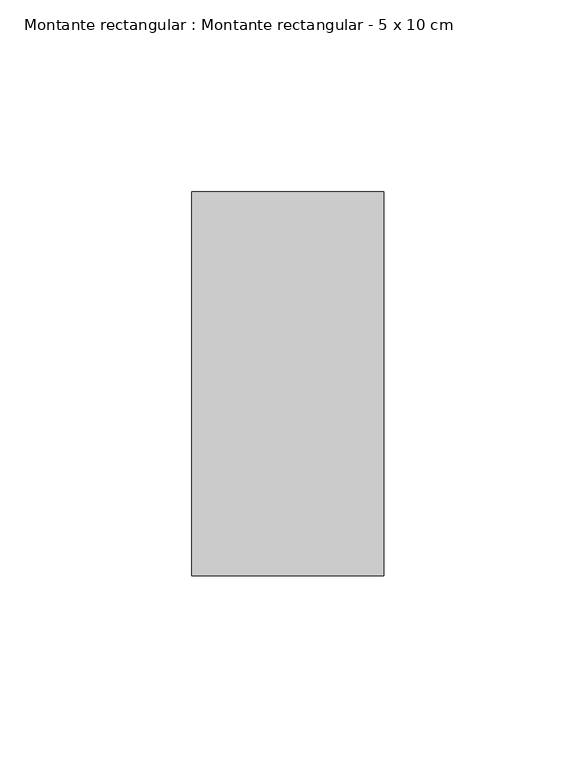
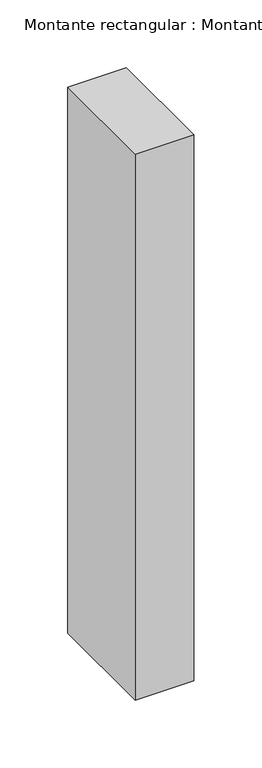
"""IFC4 building model written with IfcOpenShell, lengths in millimetres: member geometry, Montante rectangular : Montante rectangular - 5 x 10 cm."""

import ifcopenshell
import ifcopenshell.guid

model = None  # the IFC model being written
_history = None  # IfcOwnerHistory: only IFC2X3 demands one
_inside = {}  # id of a spatial element -> (the spatial element, [elements in it])
_under = {}  # id of a project, library or spatial element -> (it, [spatial elements below it])
_declared = {}  # id of a project -> (the project, [libraries it declares])
_typed = {}  # id of a type object -> (the type object, [elements of that type])
_made_of = {}  # id of a material, layer set ... -> (it, [elements and type objects made of it])


def new_model(schema):
    """Start an empty IFC model of exactly this schema.

    Asked for "IFC4X3", IfcOpenShell would pick the latest addendum, in which some entities
    have other attributes; the version numbers below select the first issue.
    IFC2X3 requires an IfcOwnerHistory on every rooted entity: one is made here for all.
    """
    global model, _history
    if schema == "IFC4X3":
        model = ifcopenshell.file(schema_version=(4, 3, 0, 0))
    else:
        model = ifcopenshell.file(schema=schema)
    _inside.clear()
    _under.clear()
    _declared.clear()
    _typed.clear()
    _made_of.clear()
    _history = None
    if model.schema == "IFC2X3":
        org = make("IfcOrganization", Name="unknown")
        user = make(
            "IfcPersonAndOrganization",
            ThePerson=make("IfcPerson", FamilyName="unknown"),
            TheOrganization=org,
        )
        app = make(
            "IfcApplication",
            ApplicationDeveloper=org,
            Version="unknown",
            ApplicationFullName="unknown",
            ApplicationIdentifier="unknown",
        )
        _history = make(
            "IfcOwnerHistory",
            OwningUser=user,
            OwningApplication=app,
            ChangeAction="ADDED",
            CreationDate=0,
        )
    return model


def make(cls, **values):
    """One entity of the class cls with the attributes given. An attribute that is None is left unset."""
    return model.create_entity(
        cls, **{name: value for name, value in values.items() if value is not None}
    )


def rooted(cls, **values):
    """An entity with a GlobalId (a new one), such as an element, a storey or a relation."""
    return make(cls, GlobalId=ifcopenshell.guid.new(), OwnerHistory=_history, **values)


def si_unit(unit_type, name, prefix=None):
    """IfcSIUnit, for example si_unit("LENGTHUNIT", "METRE", prefix="MILLI")."""
    return make("IfcSIUnit", UnitType=unit_type, Prefix=prefix, Name=name)


def assignment(units):
    """IfcUnitAssignment: the units of a project."""
    return None if units is None else make("IfcUnitAssignment", Units=units)


def point(xyz):
    """IfcCartesianPoint."""
    return None if xyz is None else make("IfcCartesianPoint", Coordinates=xyz)


def direction(xyz):
    """IfcDirection."""
    return None if xyz is None else make("IfcDirection", DirectionRatios=xyz)


def frame(location, z_axis=None, x_axis=None):
    """IfcAxis2Placement3D, a coordinate frame: its origin and axes. An axis left out is left unset."""
    return make(
        "IfcAxis2Placement3D",
        Location=point(location),
        Axis=direction(z_axis),
        RefDirection=direction(x_axis),
    )


def origin():
    """The frame at (0, 0, 0) with its axes left unset."""
    return frame((0.0, 0.0, 0.0))


def place(relative_to, where):
    """IfcLocalPlacement: puts the frame where relative to a parent placement (None: the world)."""
    return make(
        "IfcLocalPlacement", PlacementRelTo=relative_to, RelativePlacement=where
    )


def context(
    kind, dimensions, precision=None, world=None, true_north=None, identifier=None
):
    """IfcGeometricRepresentationContext, for example the 3D "Model" context."""
    return make(
        "IfcGeometricRepresentationContext",
        ContextIdentifier=identifier,
        ContextType=kind,
        CoordinateSpaceDimension=dimensions,
        Precision=precision,
        WorldCoordinateSystem=world,
        TrueNorth=true_north,
    )


def project(units=None, contexts=None):
    """IfcProject with its units and contexts."""
    return rooted(
        "IfcProject",
        Name="project",
        RepresentationContexts=contexts,
        UnitsInContext=assignment(units),
    )


def spatial(cls, under=None, at=None, **own):
    """A site, building, storey or space (cls), placed at a placement, below another one or the project."""
    s = rooted(cls, ObjectPlacement=at, **own)
    if under is not None:
        _under.setdefault(under.id(), (under, []))[1].append(s)
    return s


def polyline(points):
    """IfcPolyline through the points."""
    return make("IfcPolyline", Points=[point(p) for p in points])


def outline(outer, holes=None, kind="AREA"):
    """IfcArbitraryClosedProfileDef: a profile drawn as a closed curve; with holes, ...WithVoids."""
    if holes is None:
        return make("IfcArbitraryClosedProfileDef", ProfileType=kind, OuterCurve=outer)
    return make(
        "IfcArbitraryProfileDefWithVoids",
        ProfileType=kind,
        OuterCurve=outer,
        InnerCurves=holes,
    )


def extrude(swept, where, along, depth):
    """IfcExtrudedAreaSolid: the profile swept, set in the frame where, extruded along a direction by depth."""
    return make(
        "IfcExtrudedAreaSolid",
        SweptArea=swept,
        Position=where,
        ExtrudedDirection=direction(along),
        Depth=depth,
    )


def shape(context_of_items, identifier, shape_type, items):
    """IfcShapeRepresentation: the items that make up one representation, for example the "Body"."""
    return make(
        "IfcShapeRepresentation",
        ContextOfItems=context_of_items,
        RepresentationIdentifier=identifier,
        RepresentationType=shape_type,
        Items=items,
    )


def source(mapping_origin, context_of_items, identifier, shape_type, items):
    """IfcRepresentationMap: a shape defined once, which mapped items show again and again."""
    return make(
        "IfcRepresentationMap",
        MappingOrigin=mapping_origin,
        MappedRepresentation=shape(context_of_items, identifier, shape_type, items),
    )


def transform(
    local_origin,
    x_axis=None,
    y_axis=None,
    z_axis=None,
    scale=None,
    scale2=None,
    scale3=None,
    uniform=True,
):
    """IfcCartesianTransformationOperator3D, or its non-uniform kind. x_axis, y_axis, z_axis: its Axis1, 2, 3."""
    if uniform:
        return make(
            "IfcCartesianTransformationOperator3D",
            Axis1=direction(x_axis),
            Axis2=direction(y_axis),
            LocalOrigin=point(local_origin),
            Scale=scale,
            Axis3=direction(z_axis),
        )
    return make(
        "IfcCartesianTransformationOperator3DnonUniform",
        Axis1=direction(x_axis),
        Axis2=direction(y_axis),
        LocalOrigin=point(local_origin),
        Scale=scale,
        Axis3=direction(z_axis),
        Scale2=scale2,
        Scale3=scale3,
    )


def mapped(mapping_source, mapping_target):
    """IfcMappedItem: shows the shape of a source again, moved by a transform."""
    return make(
        "IfcMappedItem", MappingSource=mapping_source, MappingTarget=mapping_target
    )


def made_of(thing, what):
    """Note that an element or type object is made of a material, layer set ...; save() writes the relation."""
    if what is not None:
        _made_of.setdefault(what.id(), (what, []))[1].append(thing)
    return thing


def element(
    cls,
    number,
    at=None,
    inside=None,
    cuts=None,
    type_object=None,
    material=None,
    context=None,
    identifier="Body",
    shape_type=None,
    held_by="IfcProductDefinitionShape",
    body=None,
    shapes=None,
    **own,
):
    """One element of the class cls, such as IfcWall. Its Tag is "e" and its number.

    at: its placement. inside: the storey or other place that contains it. cuts: it is an
    opening in that element (IfcRelVoidsElement). A single representation is given by context,
    identifier, shape_type and body (its items); several are given by shapes. held_by: the class
    of the entity that holds the representations. save() writes the other relations.
    """
    e = rooted(cls, Tag="e%d" % number, ObjectPlacement=at, **own)
    if body is not None:
        shapes = [shape(context, identifier, shape_type, body)]
    if shapes is not None:
        e.Representation = make(held_by, Representations=shapes)
    if inside is not None:
        _inside.setdefault(inside.id(), (inside, []))[1].append(e)
    if cuts is not None:
        rooted(
            "IfcRelVoidsElement", RelatingBuildingElement=cuts, RelatedOpeningElement=e
        )
    if type_object is not None:
        _typed.setdefault(type_object.id(), (type_object, []))[1].append(e)
    return made_of(e, material)


def aggregate(whole, parts):
    """IfcRelAggregates: a whole, such as a stair, and the parts it consists of."""
    return rooted("IfcRelAggregates", RelatingObject=whole, RelatedObjects=parts)


def save(model, path):
    """Write the relations noted so far, then the file.

    IfcRelAggregates (storeys below a building ...), IfcRelContainedInSpatialStructure (elements
    in a storey), IfcRelDefinesByType, IfcRelAssociatesMaterial and IfcRelDeclares: one each for
    every whole, place, type object, material and project.
    """
    for whole, parts in _under.values():
        aggregate(whole, parts)
    for where, things in _inside.values():
        rooted(
            "IfcRelContainedInSpatialStructure",
            RelatedElements=things,
            RelatingStructure=where,
        )
    for kind, things in _typed.values():
        rooted("IfcRelDefinesByType", RelatedObjects=things, RelatingType=kind)
    for what, things in _made_of.values():
        rooted("IfcRelAssociatesMaterial", RelatedObjects=things, RelatingMaterial=what)
    for by, libraries in _declared.values():
        rooted("IfcRelDeclares", RelatingContext=by, RelatedDefinitions=libraries)
    model.write(path)


def montante_rectangular_montante_rectangular_5_x_10_cm_6f09c923(model_context):
    return source(origin(), model_context, "Body", "SweptSolid", [
        extrude(outline(polyline([(25.0, 50.0), (25.0, -50.0), (-25.0, -50.0), (-25.0, 50.0), (25.0, 50.0)])), frame((0.0, 0.0, -492.6666667), z_axis=(0.0, 0.0, 1.0), x_axis=(1.0, 0.0, 0.0)), (0.0, 0.0, 1.0), 492.6666667),
    ])


if __name__ == "__main__":
    model = new_model("IFC4")
    model_context = context("Model", 3, world=origin())
    ifc_project = project(units=[si_unit("LENGTHUNIT", "METRE", prefix="MILLI")], contexts=[model_context])
    site = spatial("IfcSite", under=ifc_project)
    building = spatial("IfcBuilding", under=site)
    placement = place(None, origin())
    montante_rectangular_montante_rectangular_5_x_10_cm_shape = montante_rectangular_montante_rectangular_5_x_10_cm_6f09c923(model_context)
    element("IfcMember", 1, ObjectType="Montante rectangular : Montante rectangular - 5 x 10 cm", at=placement, inside=building, context=model_context, shape_type="MappedRepresentation", body=[
        mapped(montante_rectangular_montante_rectangular_5_x_10_cm_shape, transform((0.0, 0.0, 0.0), x_axis=(1.0, 0.0, 0.0), y_axis=(0.0, 1.0, 0.0), z_axis=(0.0, 0.0, 1.0))),
    ])
    save(model, "model.ifc")
